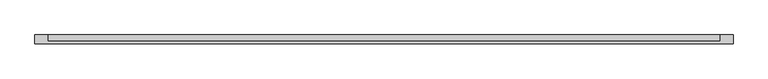
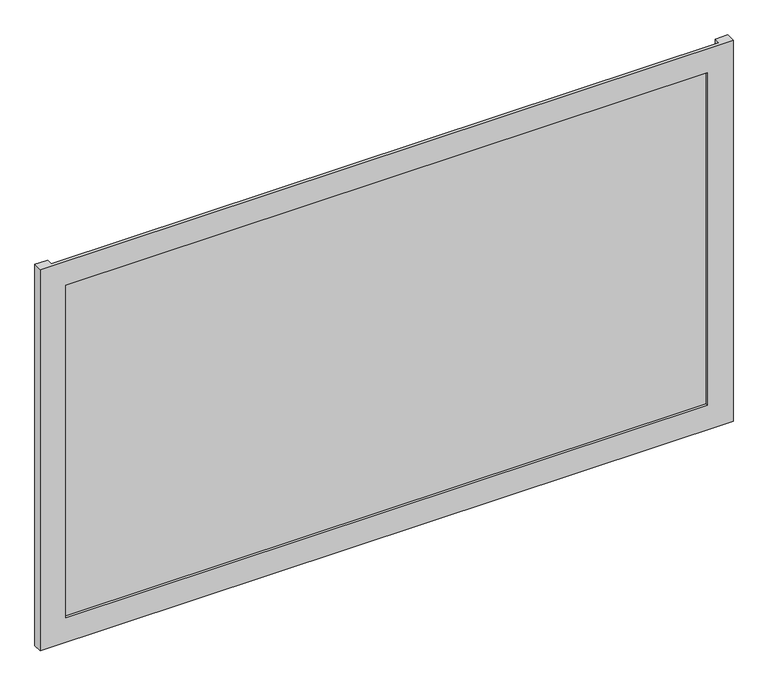
"""IFC4 building model written with IfcOpenShell, lengths in millimetres: plate geometry."""

from ifc_helpers import new_model, si_unit, origin, origin_with_axes, place, context, project, spatial, polyline, outline, extrude, faceted_brep, source, transform, mapped, element, save


def plate_fc74a4f3(model_context):
    return source(origin(), model_context, "Body", "SolidModel", [
        faceted_brep([(675.0, -50.8, -50.0), (675.0, -68.2, -50.0), (-675.0, -68.2, -50.0), (-675.0, -50.8, -50.0), (-650.0, -50.8, -50.0), (-650.0, -63.2, -50.0), (650.0, -63.2, -50.0), (650.0, -50.8, -50.0), (625.0, -68.2, 0.0), (625.0, -63.2, 0.0), (-625.0, -63.2, 0.0), (-625.0, -68.2, 0.0), (675.0, -68.2, 735.0), (-675.0, -68.2, 735.0), (-625.0, -68.2, 685.0), (625.0, -68.2, 685.0), (-650.0, -63.2, 735.0), (650.0, -63.2, 735.0), (625.0, -63.2, 685.0), (-625.0, -63.2, 685.0), (675.0, -50.8, 735.0), (650.0, -50.8, 735.0), (-650.0, -50.8, 735.0), (-675.0, -50.8, 735.0)], [[[0, 1, 2, 3, 4, 5, 6, 7]], [[8, 9, 10, 11]], [[12, 13, 2, 1], [11, 14, 15, 8]], [[16, 17, 6, 5], [9, 18, 19, 10]], [[20, 21, 17, 16, 22, 23, 13, 12]], [[20, 0, 7, 21]], [[21, 7, 6, 17]], [[8, 15, 18, 9]], [[12, 1, 0, 20]], [[22, 4, 3, 23]], [[16, 5, 4, 22]], [[10, 19, 14, 11]], [[23, 3, 2, 13]], [[18, 15, 14, 19]]]),
        extrude(outline(polyline([(650.0, -50.8), (650.0, -63.2), (-650.0, -63.2), (-650.0, -50.8), (650.0, -50.8)])), origin_with_axes(), (0.0, 0.0, 1.0), 685.0),
    ])


if __name__ == "__main__":
    model = new_model("IFC4")
    model_context = context("Model", 3, world=origin())
    ifc_project = project(units=[si_unit("LENGTHUNIT", "METRE", prefix="MILLI")], contexts=[model_context])
    site = spatial("IfcSite", under=ifc_project)
    building = spatial("IfcBuilding", under=site)
    placement = place(None, origin())
    plate_shape = plate_fc74a4f3(model_context)
    element("IfcPlate", 1, at=placement, inside=building, context=model_context, shape_type="MappedRepresentation", body=[
        mapped(plate_shape, transform((0.0, 0.0, 0.0), x_axis=(1.0, 0.0, 0.0), y_axis=(0.0, 1.0, 0.0), z_axis=(0.0, 0.0, 1.0))),
    ])
    save(model, "model.ifc")
